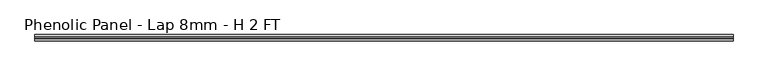
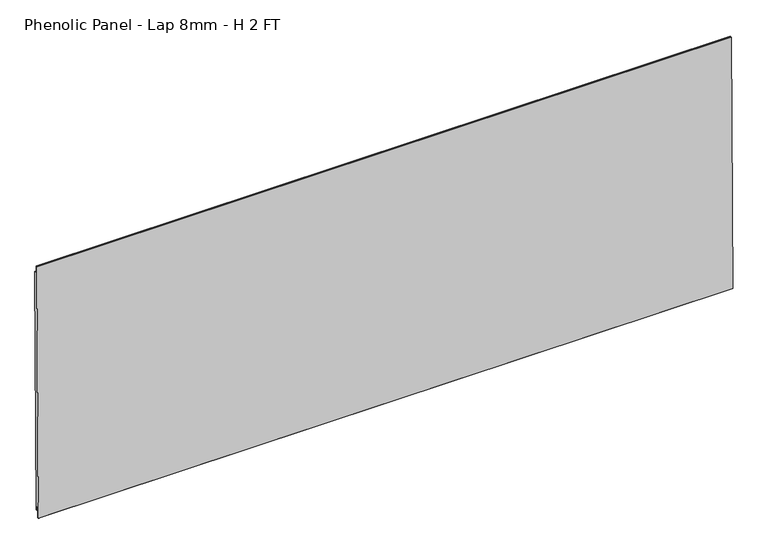
"""IFC4 building model written with IfcOpenShell, lengths in millimetres: proxy geometry, Phenolic Panel - Lap 8mm - H 2 FT."""

from ifc_helpers import new_model, si_unit, frame, origin, place, context, project, spatial, polyline, outline, extrude, source, transform, mapped, element, save


def phenolic_panel_lap_8mm_h_2_ft_ebe7c7a0(model_context):
    return source(origin(), model_context, "Body", "SweptSolid", [
        extrude(outline(polyline([(2.7732555, 593.6735917), (-2.4688477, 47.5987522), (-4.849988, 47.6216102), (-4.7737946, 55.5587445), (-7.3533633, 55.5835073), (-7.5819434, 31.7721044), (-9.5523841, 31.7910199), (-10.5487117, 32.8066615), (-5.0211492, 608.618069), (-4.0055075, 609.6143966), (-2.6240021, 609.6011347), (-2.7763888, 593.7268661), (2.7732555, 593.6735917)])), frame((-295.275, 0.0, 0.0), z_axis=(1.0, 0.0, 0.0), x_axis=(0.0, 1.0, 0.0)), (0.0, 0.0, 1.0), 1514.475),
    ])


if __name__ == "__main__":
    model = new_model("IFC4")
    model_context = context("Model", 3, world=origin())
    ifc_project = project(units=[si_unit("LENGTHUNIT", "METRE", prefix="MILLI")], contexts=[model_context])
    site = spatial("IfcSite", under=ifc_project)
    building = spatial("IfcBuilding", under=site)
    placement = place(None, origin())
    phenolic_panel_lap_8mm_h_2_ft_shape = phenolic_panel_lap_8mm_h_2_ft_ebe7c7a0(model_context)
    element("IfcBuildingElementProxy", 1, Name="Phenolic Panel - Lap 8mm - H 2 FT", ObjectType="Phenolic Panel - Lap 8mm - H 2 FT", at=placement, inside=building, context=model_context, shape_type="MappedRepresentation", body=[
        mapped(phenolic_panel_lap_8mm_h_2_ft_shape, transform((0.0, 0.0, 0.0), x_axis=(1.0, 0.0, 0.0), y_axis=(0.0, 1.0, 0.0), z_axis=(0.0, 0.0, 1.0))),
    ])
    save(model, "model.ifc")
